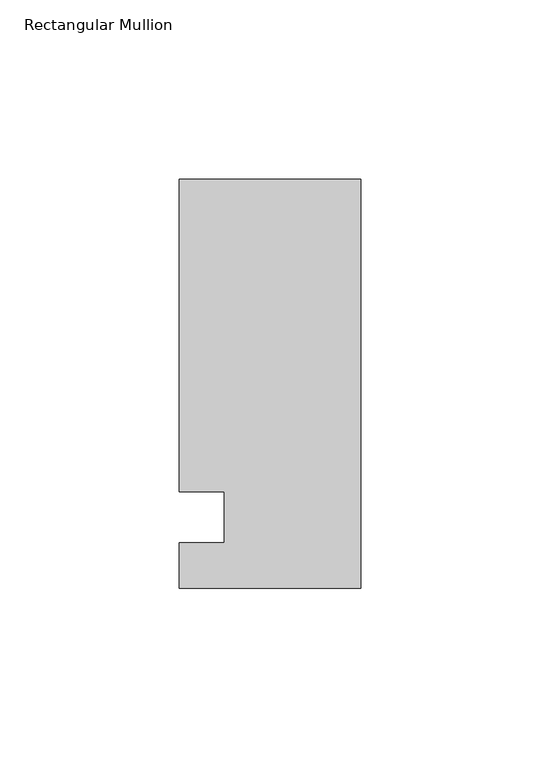
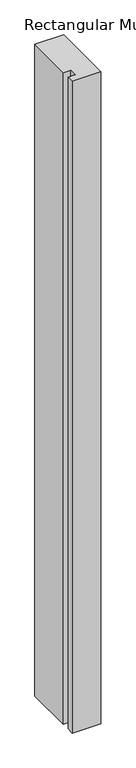
"""IFC4 building model written with IfcOpenShell, lengths in millimetres: member geometry, Rectangular Mullion."""

from ifc_helpers import new_model, si_unit, frame, origin, place, context, project, spatial, polyline, outline, extrude, source, transform, mapped, element, save


def rectangular_mullion_bba83648(model_context):
    return source(origin(), model_context, "Body", "SweptSolid", [
        extrude(outline(polyline([(29.7344027, 94.45625), (29.7344027, 7.14375), (29.7344027, -7.14375), (29.7344027, -19.84375), (-21.0655973, -19.84375), (-21.0655973, -7.14375), (-8.3655973, -7.14375), (-8.3655973, 7.14375), (-21.0655973, 7.14375), (-21.0655973, 94.45625), (29.7344027, 94.45625)])), frame((0.0, 0.0, -1219.2), z_axis=(0.0, 0.0, 1.0), x_axis=(1.0, 0.0, 0.0)), (0.0, 0.0, 1.0), 1219.2),
    ])


if __name__ == "__main__":
    model = new_model("IFC4")
    model_context = context("Model", 3, world=origin())
    ifc_project = project(units=[si_unit("LENGTHUNIT", "METRE", prefix="MILLI")], contexts=[model_context])
    site = spatial("IfcSite", under=ifc_project)
    building = spatial("IfcBuilding", under=site)
    placement = place(None, origin())
    rectangular_mullion_shape = rectangular_mullion_bba83648(model_context)
    element("IfcMember", 1, ObjectType="Rectangular Mullion", at=placement, inside=building, context=model_context, shape_type="MappedRepresentation", body=[
        mapped(rectangular_mullion_shape, transform((0.0, 0.0, 0.0), x_axis=(1.0, 0.0, 0.0), y_axis=(0.0, 1.0, 0.0), z_axis=(0.0, 0.0, 1.0))),
    ])
    save(model, "model.ifc")
